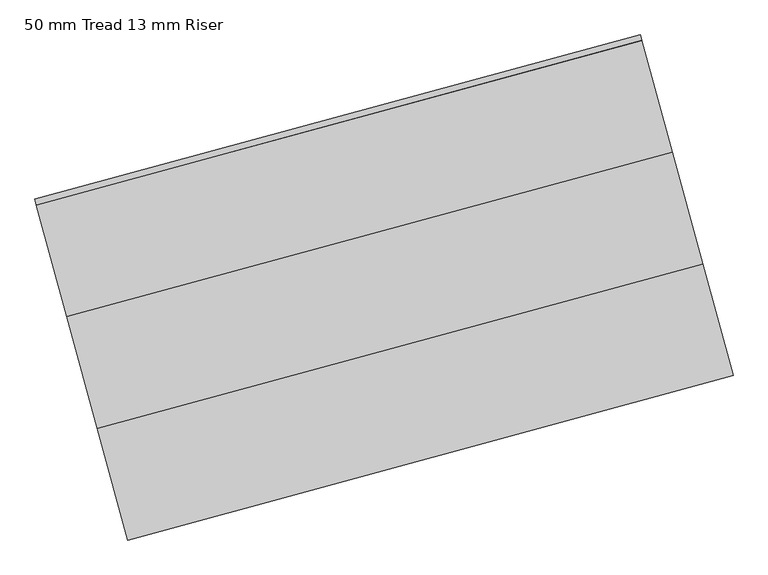
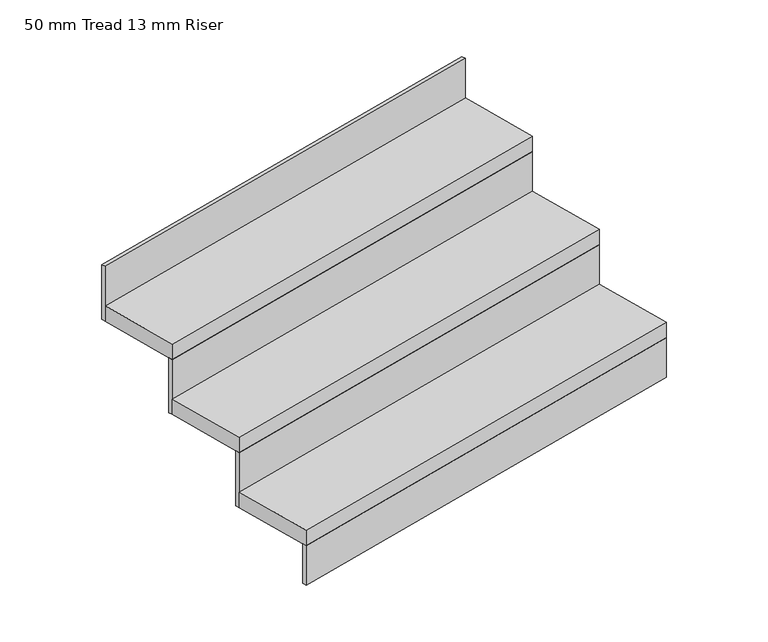
"""IFC4 building model written with IfcOpenShell, lengths in millimetres: stair flight geometry, 50 mm Tread 13 mm Riser."""

from ifc_helpers import new_model, si_unit, frame, origin, origin_with_axes, place, context, project, spatial, polyline, outline, extrude, source, transform, mapped, element, save


def stair_flight_50_mm_tread_13_mm_riser_27b63898(model_context):
    return source(origin(), model_context, "Body", "SweptSolid", [
        extrude(outline(polyline([(116386.5475744, 61460.0168442), (116389.8261848, 61447.9544765), (115083.3817944, 61092.8565082), (115080.1031839, 61104.9188758), (116386.5475744, 61460.0168442)])), origin_with_axes(), (0.0, 0.0, 1.0), 127.7777778),
        extrude(outline(polyline([(115017.8095851, 61334.1038613), (116324.2539756, 61689.2018296), (116389.8261848, 61447.9544765), (115083.3817944, 61092.8565082), (115017.8095851, 61334.1038613)])), frame((0.0, 0.0, 127.7777778), z_axis=(0.0, 0.0, 1.0), x_axis=(1.0, 0.0, 0.0)), (0.0, 0.0, 1.0), 50.0),
        extrude(outline(polyline([(116320.9753651, 61701.2641973), (116324.2539756, 61689.2018296), (115017.8095851, 61334.1038613), (115014.5309746, 61346.1662289), (116320.9753651, 61701.2641973)])), frame((0.0, 0.0, 127.7777778), z_axis=(0.0, 0.0, 1.0), x_axis=(1.0, 0.0, 0.0)), (0.0, 0.0, 1.0), 177.7777778),
        extrude(outline(polyline([(114952.2373758, 61575.3512143), (116258.6817663, 61930.4491827), (116324.2539756, 61689.2018296), (115017.8095851, 61334.1038613), (114952.2373758, 61575.3512143)])), frame((0.0, 0.0, 305.5555556), z_axis=(0.0, 0.0, 1.0), x_axis=(1.0, 0.0, 0.0)), (0.0, 0.0, 1.0), 50.0),
        extrude(outline(polyline([(116255.4031559, 61942.5115504), (116258.6817663, 61930.4491827), (114952.2373758, 61575.3512143), (114948.9587654, 61587.413582), (116255.4031559, 61942.5115504)])), frame((0.0, 0.0, 305.5555556), z_axis=(0.0, 0.0, 1.0), x_axis=(1.0, 0.0, 0.0)), (0.0, 0.0, 1.0), 177.7777778),
        extrude(outline(polyline([(116189.8309466, 62183.7589035), (116193.1095571, 62171.6965358), (114886.6651666, 61816.5985674), (114883.3865561, 61828.6609351), (116189.8309466, 62183.7589035)])), frame((0.0, 0.0, 483.3333333), z_axis=(0.0, 0.0, 1.0), x_axis=(1.0, 0.0, 0.0)), (0.0, 0.0, 1.0), 177.7777778),
        extrude(outline(polyline([(114886.6651666, 61816.5985674), (116193.1095571, 62171.6965358), (116258.6817663, 61930.4491827), (114952.2373758, 61575.3512143), (114886.6651666, 61816.5985674)])), frame((0.0, 0.0, 483.3333333), z_axis=(0.0, 0.0, 1.0), x_axis=(1.0, 0.0, 0.0)), (0.0, 0.0, 1.0), 50.0),
    ])


if __name__ == "__main__":
    model = new_model("IFC4")
    model_context = context("Model", 3, world=origin())
    ifc_project = project(units=[si_unit("LENGTHUNIT", "METRE", prefix="MILLI")], contexts=[model_context])
    site = spatial("IfcSite", under=ifc_project)
    building = spatial("IfcBuilding", under=site)
    placement = place(None, origin())
    stair_flight_50_mm_tread_13_mm_riser_shape = stair_flight_50_mm_tread_13_mm_riser_27b63898(model_context)
    element("IfcStairFlight", 1, ObjectType="50 mm Tread 13 mm Riser", at=placement, inside=building, context=model_context, shape_type="MappedRepresentation", body=[
        mapped(stair_flight_50_mm_tread_13_mm_riser_shape, transform((0.0, 0.0, 0.0), x_axis=(1.0, 0.0, 0.0), y_axis=(0.0, 1.0, 0.0), z_axis=(0.0, 0.0, 1.0))),
    ])
    save(model, "model.ifc")
